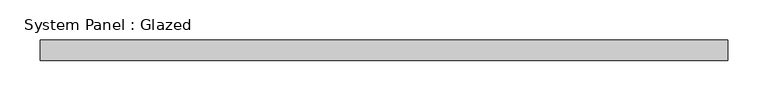
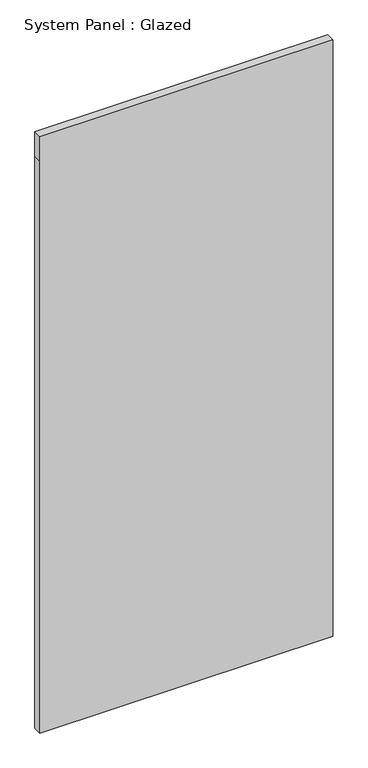
"""IFC4 building model written with IfcOpenShell, lengths in millimetres: plate geometry, System Panel : Glazed."""

from ifc_helpers import new_model, si_unit, frame, origin, place, context, project, spatial, polyline, outline, extrude, source, transform, mapped, element, save


def system_panel_glazed_2d900ba9(model_context):
    return source(origin(), model_context, "Body", "SweptSolid", [
        extrude(outline(polyline([(0.0, -425.0), (0.0, 425.0), (1753.3333333, 425.0), (1828.3333333, 425.0), (1828.3333333, -425.0), (1753.3333333, -425.0), (0.0, -425.0)])), frame((0.0, -49.5, 0.0), z_axis=(0.0, 1.0, 0.0), x_axis=(0.0, 0.0, 1.0)), (0.0, 0.0, 1.0), 25.0),
    ])


if __name__ == "__main__":
    model = new_model("IFC4")
    model_context = context("Model", 3, world=origin())
    ifc_project = project(units=[si_unit("LENGTHUNIT", "METRE", prefix="MILLI")], contexts=[model_context])
    site = spatial("IfcSite", under=ifc_project)
    building = spatial("IfcBuilding", under=site)
    placement = place(None, origin())
    system_panel_glazed_shape = system_panel_glazed_2d900ba9(model_context)
    element("IfcPlate", 1, ObjectType="System Panel : Glazed", at=placement, inside=building, context=model_context, shape_type="MappedRepresentation", body=[
        mapped(system_panel_glazed_shape, transform((0.0, 0.0, 0.0), x_axis=(1.0, 0.0, 0.0), y_axis=(0.0, 1.0, 0.0), z_axis=(0.0, 0.0, 1.0))),
    ])
    save(model, "model.ifc")
